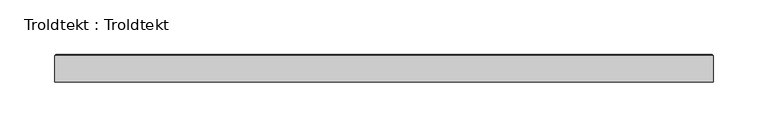
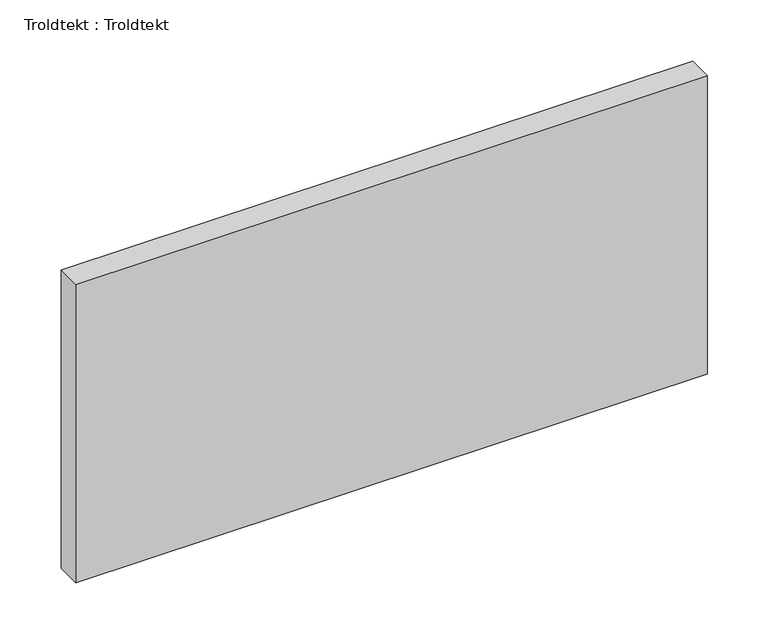
"""IFC4 building model written with IfcOpenShell, lengths in millimetres: proxy geometry, Troldtekt : Troldtekt."""

from ifc_helpers import new_model, si_unit, origin, place, context, project, spatial, faceted_brep, source, transform, mapped, element, save


def troldtekt_troldtekt_b396af5a(model_context):
    return source(origin(), model_context, "Body", "Brep", [
        faceted_brep([(-300.0, -12.5, 299.9999997), (300.0, -12.5, 299.9999997), (300.0, 11.495044, 299.9999997), (-300.0, 11.495044, 299.9999997), (300.0, -12.5, 0.0), (-300.0, -12.5, 0.0), (-300.0, 11.495044, 0.0), (300.0, 11.495044, 0.0), (-298.995044, 12.5, 1.004956), (-298.995044, 12.5, 298.9950437), (298.995044, 12.5, 298.9950437), (298.995044, 12.5, 1.004956)], [[[0, 1, 2, 3]], [[4, 5, 6, 7]], [[8, 9, 10, 11]], [[5, 0, 3, 6]], [[1, 0, 5, 4]], [[1, 4, 7, 2]], [[8, 6, 3, 9]], [[6, 8, 11, 7]], [[7, 11, 10, 2]], [[2, 10, 9, 3]]]),
    ])


if __name__ == "__main__":
    model = new_model("IFC4")
    model_context = context("Model", 3, world=origin())
    ifc_project = project(units=[si_unit("LENGTHUNIT", "METRE", prefix="MILLI")], contexts=[model_context])
    site = spatial("IfcSite", under=ifc_project)
    building = spatial("IfcBuilding", under=site)
    placement = place(None, origin())
    troldtekt_troldtekt_shape = troldtekt_troldtekt_b396af5a(model_context)
    element("IfcBuildingElementProxy", 1, Name="Troldtekt : Troldtekt", ObjectType="Troldtekt : Troldtekt", at=placement, inside=building, context=model_context, shape_type="MappedRepresentation", body=[
        mapped(troldtekt_troldtekt_shape, transform((0.0, 0.0, 0.0), x_axis=(1.0, 0.0, 0.0), y_axis=(0.0, 1.0, 0.0), z_axis=(0.0, 0.0, 1.0))),
    ])
    save(model, "model.ifc")
